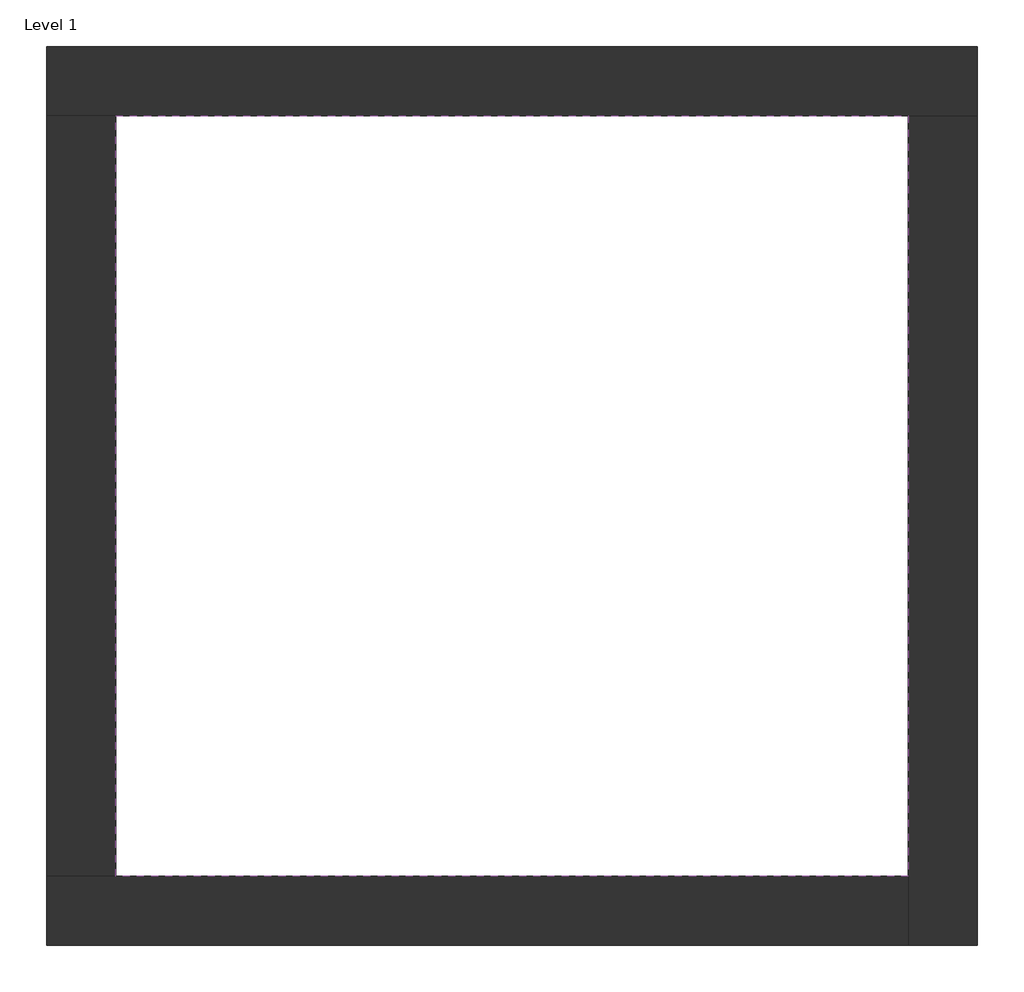
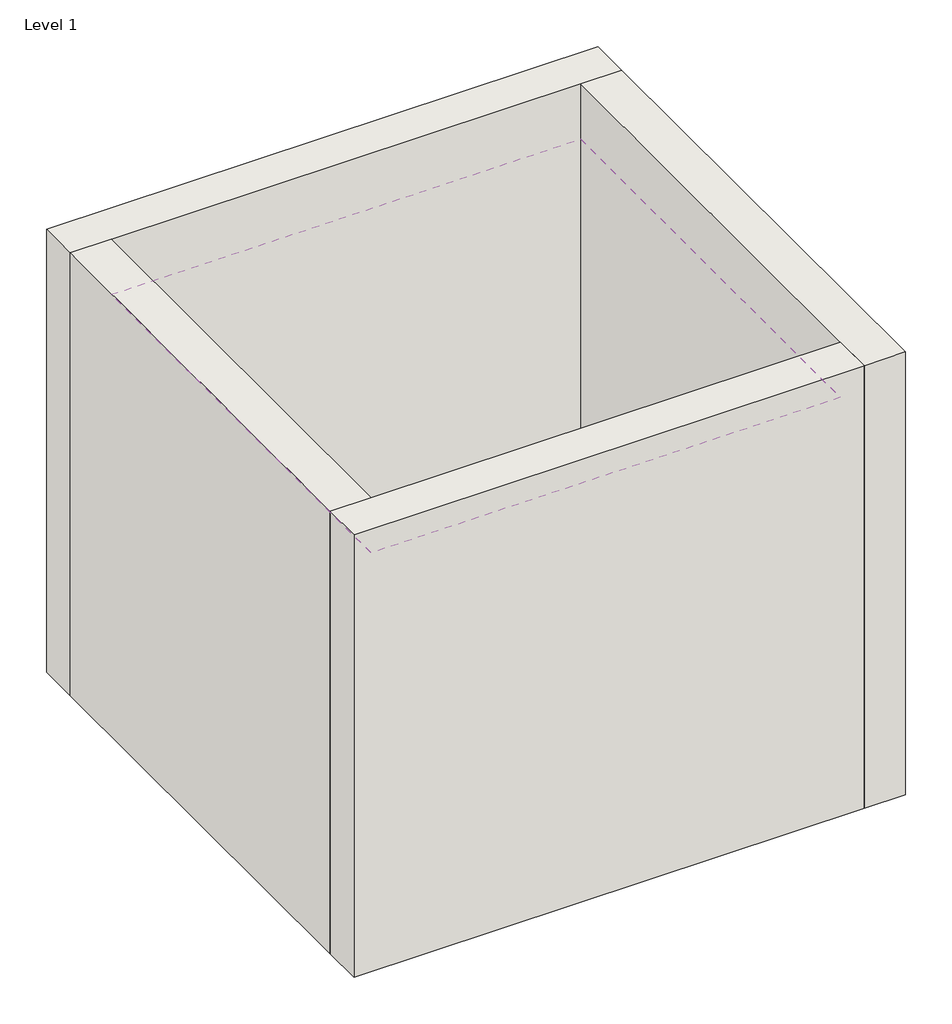
# One storey: 4 walls, 1 covering.
"""IFC4 building model written with IfcOpenShell, lengths in millimetres."""

from ifc_helpers import new_model, si_unit, frame, origin, origin_with_axes, place, context, project, spatial, polyline, outline, extrude, faceted_brep, element, save

model = new_model("IFC4")

# Units and contexts
model_context = context("Model", 3, world=origin())
ifc_project = project(units=[si_unit("LENGTHUNIT", "METRE", prefix="MILLI")], contexts=[model_context])

# Site, building, storey
site = spatial("IfcSite", under=ifc_project)
building = spatial("IfcBuilding", under=site)
storey = spatial("IfcBuildingStorey", under=building, Name="Level 1", Elevation=0.0)

# Covering
placement = place(None, origin())
element("IfcCovering", 1, at=placement, inside=storey, context=model_context, shape_type="SweptSolid", body=[
    extrude(outline(polyline([(-14894.8573003, 6921.2750283), (-10882.3573003, 6921.2750283), (-10882.3573003, 3071.2750283), (-14894.8573003, 3071.2750283), (-14894.8573003, 6921.2750283)])), frame((0.0, 0.0, 3500.0), z_axis=(0.0, 0.0, 1.0), x_axis=(1.0, 0.0, 0.0)), (0.0, 0.0, 1.0), 25.0),
])

# Walls
element("IfcWall", 2, ObjectType="Exterior - Brick on Mtl. Stud", at=placement, inside=storey, context=model_context, shape_type="Brep", body=[
    faceted_brep([(-15244.8573003, 6921.2750283, 0.0), (-14894.8573003, 6921.2750283, 0.0), (-10882.3573003, 6921.2750283, 0.0), (-10532.3573003, 6921.2750283, 0.0), (-10532.3573003, 6921.2750283, 4000.0), (-10882.3573003, 6921.2750283, 4000.0), (-14894.8573003, 6921.2750283, 4000.0), (-15244.8573003, 6921.2750283, 4000.0), (-15244.8573003, 7271.2750283, 0.0), (-15244.8573003, 7271.2750283, 4000.0), (-10532.3573003, 7271.2750283, 4000.0), (-10532.3573003, 7271.2750283, 0.0)], [[[0, 1, 2, 3, 4, 5, 6, 7]], [[8, 9, 10, 11]], [[3, 2, 1, 0, 8, 11]], [[7, 6, 5, 4, 10, 9]], [[0, 7, 9, 8]], [[4, 3, 11, 10]]]),
])
element("IfcWall", 3, ObjectType="Exterior - Brick on Mtl. Stud", at=placement, inside=storey, context=model_context, shape_type="Brep", body=[
    faceted_brep([(-10882.3573003, 6921.2750283, 0.0), (-10882.3573003, 3071.2750283, 0.0), (-10882.3573003, 2721.2750283, 0.0), (-10882.3573003, 2721.2750283, 4000.0), (-10882.3573003, 3071.2750283, 4000.0), (-10882.3573003, 6921.2750283, 4000.0), (-10532.3573003, 6921.2750283, 0.0), (-10532.3573003, 6921.2750283, 4000.0), (-10532.3573003, 2721.2750283, 4000.0), (-10532.3573003, 2721.2750283, 0.0)], [[[0, 1, 2, 3, 4, 5]], [[6, 7, 8, 9]], [[2, 1, 0, 6, 9]], [[5, 4, 3, 8, 7]], [[3, 2, 9, 8]], [[0, 5, 7, 6]]]),
])
element("IfcWall", 4, ObjectType="Exterior - Brick on Mtl. Stud", at=placement, inside=storey, context=model_context, shape_type="Brep", body=[
    faceted_brep([(-10882.3573003, 3071.2750283, 0.0), (-14894.8573003, 3071.2750283, 0.0), (-15244.8573003, 3071.2750283, 0.0), (-15244.8573003, 3071.2750283, 4000.0), (-14894.8573003, 3071.2750283, 4000.0), (-10882.3573003, 3071.2750283, 4000.0), (-10882.3573003, 2721.2750283, 0.0), (-10882.3573003, 2721.2750283, 4000.0), (-15244.8573003, 2721.2750283, 4000.0), (-15244.8573003, 2721.2750283, 0.0)], [[[0, 1, 2, 3, 4, 5]], [[6, 7, 8, 9]], [[2, 1, 0, 6, 9]], [[5, 4, 3, 8, 7]], [[3, 2, 9, 8]], [[0, 5, 7, 6]]]),
])
element("IfcWall", 5, ObjectType="Exterior - Brick on Mtl. Stud", at=placement, inside=storey, context=model_context, shape_type="SweptSolid", body=[
    extrude(outline(polyline([(-14894.8573003, 6921.2750283), (-14894.8573003, 3071.2750283), (-15244.8573003, 3071.2750283), (-15244.8573003, 6921.2750283), (-14894.8573003, 6921.2750283)])), origin_with_axes(), (0.0, 0.0, 1.0), 4000.0),
])

save(model, "model.ifc")
